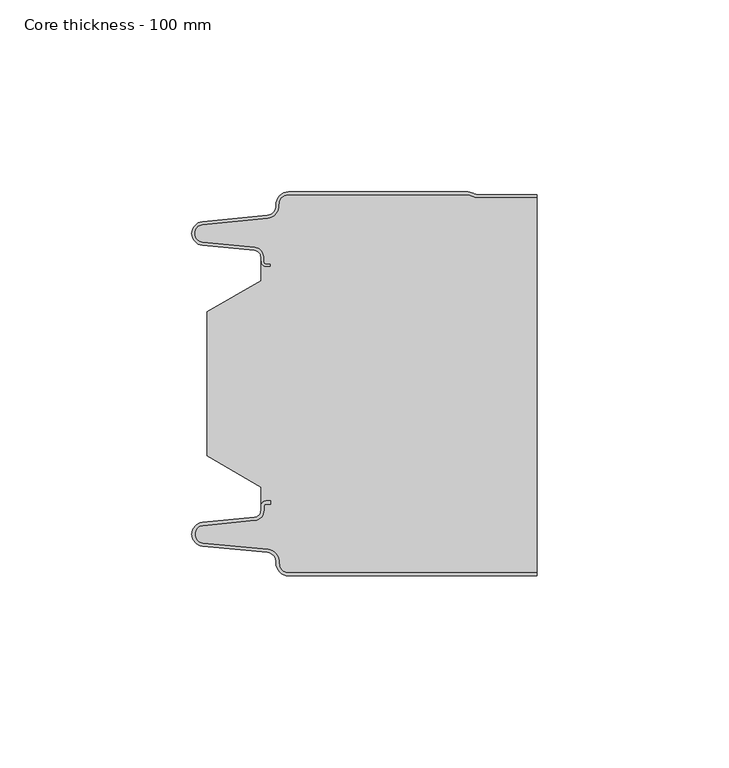
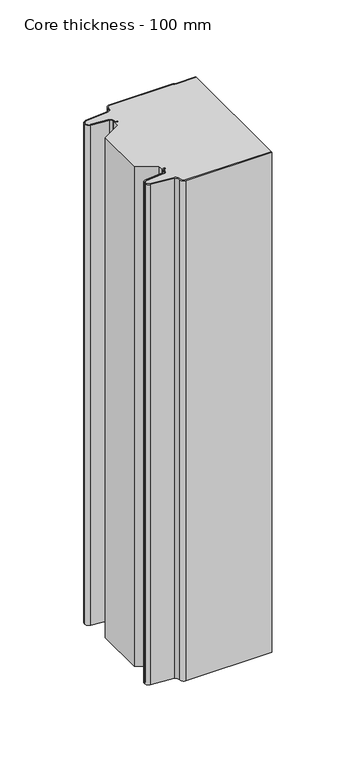
"""IFC4 building model written with IfcOpenShell, lengths in millimetres: plate geometry, Core thickness - 100 mm."""

from ifc_helpers import new_model, si_unit, frame, origin, place, context, project, spatial, polyline, circle_curve, source, transform, mapped, element, save
from ifc_brep_helpers import plane_surface, cylinder_surface, revolved_surface, advanced_brep


def core_thickness_100_mm_1877381d(model_context):
    return source(origin(), model_context, "Body", "AdvancedBrep", [
        advanced_brep(
        [(-19.8000003, -99.9996949, 0.0), (-22.9923632, -96.5787437, 0.0), (-25.2560431, -93.9171154, 0.0), (-42.2115315, -92.2546153, 0.0), (-44.9999998, -89.1776715, 0.0), (-42.2115315, -86.1007278, 0.0), (-28.6195785, -84.7680252, 0.0), (-26.9952277, -82.9766159, 0.0), (-26.9952277, -81.8996949, 0.0), (-25.5952277, -80.4996949, 0.0), (-24.4952277, -80.4996949, 0.0), (-24.4952277, -81.2996949, 0.0), (-25.5952277, -81.2996949, 0.0), (-26.1952277, -81.8996949, 0.0), (-26.1952277, -82.9766159, 0.0), (-28.5415122, -85.5642071, 0.0), (-42.1334652, -86.8969097, 0.0), (-44.1999997, -89.1776715, 0.0), (-42.1334652, -91.4584333, 0.0), (-25.1779767, -93.1209335, 0.0), (-22.2078761, -96.6330399, 0.0), (-19.8000003, -99.1996949, 0.0), (44.9999998, -99.2, 0.0), (44.9999998, -99.9996949, 0.0), (-19.8000003, -99.1996949, 400.0), (-22.1942724, -96.6339815, 400.0), (-25.1779767, -93.1209335, 400.0), (-42.1334652, -91.4584333, 400.0), (-44.1999997, -89.1776715, 400.0), (-42.1334652, -86.8969097, 400.0), (-28.5415122, -85.5642071, 400.0), (-26.1952277, -82.9766159, 400.0), (-26.1952277, -81.8996949, 400.0), (-25.5952277, -81.2996949, 400.0), (-24.4952277, -81.2996949, 400.0), (-24.4952277, -80.4996949, 400.0), (-25.5952277, -80.4996949, 400.0), (-26.9952277, -81.8996949, 400.0), (-26.9952277, -82.9766159, 400.0), (-28.6195785, -84.7680252, 400.0), (-42.2115315, -86.1007278, 400.0), (-44.9999998, -89.1776715, 400.0), (-42.2115315, -92.2546153, 400.0), (-25.2560431, -93.9171154, 400.0), (-23.0059668, -96.5778021, 400.0), (-19.8000003, -99.9996949, 400.0), (44.9999998, -99.9996949, 400.0), (44.9999998, -99.2, 400.0)],
        [
            (0, 1, circle_curve(frame((-19.8000003, -96.7996949, 0.0), z_axis=(0.0, 0.0, -1.0), x_axis=(1.0, 0.0, 0.0)), 3.2)),
            (1, 2, circle_curve(frame((-25.5000003, -96.4051839, 0.0), z_axis=(0.0, 0.0, 1.0), x_axis=(1.0, 0.0, 0.0)), 2.5)),
            (2, 3),
            (3, 4, circle_curve(frame((-41.9100003, -89.1793626, 0.0), z_axis=(0.0, 0.0, -1.0), x_axis=(1.0, 0.0, 0.0)), 3.09)),
            (4, 5, circle_curve(frame((-41.9100003, -89.1759805, 0.0), z_axis=(0.0, 0.0, -1.0), x_axis=(1.0, 0.0, 0.0)), 3.09)),
            (5, 6),
            (6, 7, circle_curve(frame((-28.7952277, -82.9766159, 0.0), z_axis=(0.0, 0.0, 1.0), x_axis=(1.0, 0.0, 0.0)), 1.8)),
            (7, 8),
            (8, 9, circle_curve(frame((-25.5952277, -81.8996949, 0.0), z_axis=(0.0, 0.0, -1.0), x_axis=(1.0, 0.0, 0.0)), 1.4)),
            (9, 10),
            (10, 11),
            (11, 12),
            (12, 13, circle_curve(frame((-25.5952277, -81.8996949, 0.0), z_axis=(0.0, 0.0, 1.0), x_axis=(1.0, 0.0, 0.0)), 0.6)),
            (13, 14),
            (14, 15, circle_curve(frame((-28.7952277, -82.9766159, 0.0), z_axis=(0.0, 0.0, -1.0), x_axis=(1.0, 0.0, 0.0)), 2.6)),
            (15, 16),
            (16, 17, circle_curve(frame((-41.9100003, -89.1759805, 0.0), z_axis=(0.0, 0.0, 1.0), x_axis=(1.0, 0.0, 0.0)), 2.29)),
            (17, 18, circle_curve(frame((-41.9100003, -89.1793626, 0.0), z_axis=(0.0, 0.0, 1.0), x_axis=(1.0, 0.0, 0.0)), 2.29)),
            (18, 19),
            (19, 20, circle_curve(frame((-25.5000003, -96.4051839, 0.0), z_axis=(0.0, 0.0, -1.0), x_axis=(1.0, 0.0, 0.0)), 3.3)),
            (20, 21, circle_curve(frame((-19.8000003, -96.7996949, 0.0), z_axis=(0.0, 0.0, 1.0), x_axis=(1.0, 0.0, 0.0)), 2.4)),
            (21, 22),
            (22, 23),
            (23, 0),
            (24, 25, circle_curve(frame((-19.8000003, -96.7996949, 400.0), z_axis=(0.0, 0.0, -1.0), x_axis=(1.0, 0.0, 0.0)), 2.4)),
            (25, 26, circle_curve(frame((-25.5000003, -96.4051839, 400.0), z_axis=(0.0, 0.0, 1.0), x_axis=(1.0, 0.0, 0.0)), 3.3)),
            (26, 27),
            (27, 28, circle_curve(frame((-41.9100003, -89.1793626, 400.0), z_axis=(0.0, 0.0, -1.0), x_axis=(1.0, 0.0, 0.0)), 2.29)),
            (28, 29, circle_curve(frame((-41.9100003, -89.1759805, 400.0), z_axis=(0.0, 0.0, -1.0), x_axis=(1.0, 0.0, 0.0)), 2.29)),
            (29, 30),
            (30, 31, circle_curve(frame((-28.7952277, -82.9766159, 400.0), z_axis=(0.0, 0.0, 1.0), x_axis=(1.0, 0.0, 0.0)), 2.6)),
            (31, 32),
            (32, 33, circle_curve(frame((-25.5952277, -81.8996949, 400.0), z_axis=(0.0, 0.0, -1.0), x_axis=(1.0, 0.0, 0.0)), 0.6)),
            (33, 34),
            (34, 35),
            (35, 36),
            (36, 37, circle_curve(frame((-25.5952277, -81.8996949, 400.0), z_axis=(0.0, 0.0, 1.0), x_axis=(1.0, 0.0, 0.0)), 1.4)),
            (37, 38),
            (38, 39, circle_curve(frame((-28.7952277, -82.9766159, 400.0), z_axis=(0.0, 0.0, -1.0), x_axis=(1.0, 0.0, 0.0)), 1.8)),
            (39, 40),
            (40, 41, circle_curve(frame((-41.9100003, -89.1759805, 400.0), z_axis=(0.0, 0.0, 1.0), x_axis=(1.0, 0.0, 0.0)), 3.09)),
            (41, 42, circle_curve(frame((-41.9100003, -89.1793626, 400.0), z_axis=(0.0, 0.0, 1.0), x_axis=(1.0, 0.0, 0.0)), 3.09)),
            (42, 43),
            (43, 44, circle_curve(frame((-25.5000003, -96.4051839, 400.0), z_axis=(0.0, 0.0, -1.0), x_axis=(1.0, 0.0, 0.0)), 2.5)),
            (44, 45, circle_curve(frame((-19.8000003, -96.7996949, 400.0), z_axis=(0.0, 0.0, 1.0), x_axis=(1.0, 0.0, 0.0)), 3.2)),
            (45, 46),
            (46, 47),
            (47, 24),
            (21, 24),
            (47, 22),
            (20, 25),
            (19, 26),
            (18, 27),
            (17, 28),
            (16, 29),
            (15, 30),
            (14, 31),
            (13, 32),
            (12, 33),
            (11, 34),
            (10, 35),
            (9, 36),
            (8, 37),
            (7, 38),
            (6, 39),
            (5, 40),
            (4, 41),
            (3, 42),
            (2, 43),
            (1, 44),
            (0, 45),
            (23, 46),
        ],
        [
            plane_surface(frame((-44.9999998, -100.0, 0.0), z_axis=(0.0, 0.0, -1.0), x_axis=(0.0, 1.0, 0.0))),
            plane_surface(frame((-44.9999998, -100.0, 400.0), z_axis=(0.0, 0.0, 1.0), x_axis=(0.0, 1.0, 0.0))),
            plane_surface(frame((-19.8000003, -99.2, 0.0), z_axis=(0.0, 1.0, 0.0), x_axis=(0.0, 0.0, 1.0))),
            revolved_surface(polyline([(-17.400000300000002, -96.7996949, 400.0), (-17.400000300000002, -96.7996949, 0.0)]), (-19.8000003, -96.7996949, 0.0), (0.0, 0.0, 1.0)),
            cylinder_surface(frame((-25.5000003, -96.4051839, 0.0), z_axis=(0.0, 0.0, -1.0), x_axis=(1.0, 0.0, 0.0)), 3.3),
            plane_surface(frame((-42.1334652, -91.4584333, 0.0), z_axis=(0.09758289975914758, 0.9952273999818314, 0.0), x_axis=(0.0, 0.0, 1.0))),
            revolved_surface(polyline([(-39.6200003, -89.1793626, 400.0), (-39.6200003, -89.1793626, 0.0)]), (-41.9100003, -89.1793626, 0.0), (0.0, 0.0, 1.0)),
            revolved_surface(polyline([(-39.6200003, -89.1759805, 400.0), (-39.6200003, -89.1759805, 0.0)]), (-41.9100003, -89.1759805, 0.0), (0.0, 0.0, 1.0)),
            plane_surface(frame((-28.5415122, -85.5642071, 0.0), z_axis=(0.09758289975914383, -0.9952273999818317, 0.0), x_axis=(0.0, 0.0, 1.0))),
            cylinder_surface(frame((-28.7952277, -82.9766159, 0.0), z_axis=(0.0, 0.0, -1.0), x_axis=(1.0, 0.0, 0.0)), 2.6),
            plane_surface(frame((-26.1952277, -81.8996949, 0.0), z_axis=(1.0, 0.0, 0.0), x_axis=(0.0, 0.0, 1.0))),
            revolved_surface(polyline([(-24.995227699999997, -81.8996949, 400.0), (-24.995227699999997, -81.8996949, 0.0)]), (-25.5952277, -81.8996949, 0.0), (0.0, 0.0, 1.0)),
            plane_surface(frame((-24.4952277, -81.2996949, 0.0), z_axis=(0.0, -1.0, 0.0), x_axis=(0.0, 0.0, 1.0))),
            plane_surface(frame((-24.4952277, -80.4996949, 0.0), z_axis=(1.0, 0.0, 0.0), x_axis=(0.0, 0.0, 1.0))),
            plane_surface(frame((-25.5952277, -80.4996949, 0.0), z_axis=(0.0, 1.0, 0.0), x_axis=(0.0, 0.0, 1.0))),
            cylinder_surface(frame((-25.5952277, -81.8996949, 0.0), z_axis=(0.0, 0.0, -1.0), x_axis=(1.0, 0.0, 0.0)), 1.4),
            plane_surface(frame((-26.9952277, -82.9766159, 0.0), z_axis=(-1.0, 0.0, 0.0), x_axis=(0.0, 0.0, 1.0))),
            revolved_surface(polyline([(-26.9952277, -82.9766159, 400.0), (-26.9952277, -82.9766159, 0.0)]), (-28.7952277, -82.9766159, 0.0), (0.0, 0.0, 1.0)),
            plane_surface(frame((-42.2115315, -86.1007278, 0.0), z_axis=(-0.09758289975914387, 0.9952273999818317, 0.0), x_axis=(0.0, 0.0, 1.0))),
            cylinder_surface(frame((-41.9100003, -89.1759805, 0.0), z_axis=(0.0, 0.0, -1.0), x_axis=(1.0, 0.0, 0.0)), 3.09),
            cylinder_surface(frame((-41.9100003, -89.1793626, 0.0), z_axis=(0.0, 0.0, -1.0), x_axis=(1.0, 0.0, 0.0)), 3.09),
            plane_surface(frame((-25.2560431, -93.9171154, 0.0), z_axis=(-0.09758289975914762, -0.9952273999818314, 0.0), x_axis=(0.0, 0.0, 1.0))),
            revolved_surface(polyline([(-23.0000003, -96.4051839, 400.0), (-23.0000003, -96.4051839, 0.0)]), (-25.5000003, -96.4051839, 0.0), (0.0, 0.0, 1.0)),
            cylinder_surface(frame((-19.8000003, -96.7996949, 0.0), z_axis=(0.0, 0.0, -1.0), x_axis=(1.0, 0.0, 0.0)), 3.2),
            plane_surface(frame((1121.009932, -99.9996949, 0.0), z_axis=(0.0, -1.0, 0.0), x_axis=(0.0, 0.0, 1.0))),
            plane_surface(frame((44.9999998, 180.0, 400.0), z_axis=(1.0, 0.0, 0.0), x_axis=(0.0, 0.0, -1.0))),
        ],
        [
            (0, [[1, 2, 3, 4, 5, 6, 7, 8, 9, 10, 11, 12, 13, 14, 15, 16, 17, 18, 19, 20, 21, 22, 23, 24]]),
            (1, [[25, 26, 27, 28, 29, 30, 31, 32, 33, 34, 35, 36, 37, 38, 39, 40, 41, 42, 43, 44, 45, 46, 47, 48]]),
            (2, [[49, -48, 50, -22]]),
            (3, [[-21, 51, -25, -49]]),
            (4, [[-20, 52, -26, -51]]),
            (5, [[-19, 53, -27, -52]]),
            (6, [[-18, 54, -28, -53]]),
            (7, [[-17, 55, -29, -54]]),
            (8, [[-16, 56, -30, -55]]),
            (9, [[-15, 57, -31, -56]]),
            (10, [[-14, 58, -32, -57]]),
            (11, [[-13, 59, -33, -58]]),
            (12, [[-12, 60, -34, -59]]),
            (13, [[-11, 61, -35, -60]]),
            (14, [[-10, 62, -36, -61]]),
            (15, [[-9, 63, -37, -62]]),
            (16, [[-8, 64, -38, -63]]),
            (17, [[-7, 65, -39, -64]]),
            (18, [[-6, 66, -40, -65]]),
            (19, [[-5, 67, -41, -66]]),
            (20, [[-4, 68, -42, -67]]),
            (21, [[-3, 69, -43, -68]]),
            (22, [[-2, 70, -44, -69]]),
            (23, [[-1, 71, -45, -70]]),
            (24, [[-71, -24, 72, -46]]),
            (25, [[-23, -50, -47, -72]]),
        ],
    ),
        advanced_brep(
        [(-26.9952277, -23.1062917, 400.0), (-41.0446509, -31.1628062, 400.0), (-41.0446509, -68.7531937, 400.0), (-26.9952277, -76.8937083, 400.0), (-26.9952277, -80.4996949, 400.0), (-26.9952277, -81.8996949, 400.0), (-25.5952277, -80.4996949, 400.0), (-24.4952277, -80.4996949, 400.0), (-24.4952277, -81.2996949, 400.0), (-25.5952277, -81.2996949, 400.0), (-26.1952277, -81.8996949, 400.0), (-26.1952277, -82.9766159, 400.0), (-28.5415122, -85.5642071, 400.0), (-42.1334652, -86.8969097, 400.0), (-44.1999997, -89.1776715, 400.0), (-42.1334652, -91.4584333, 400.0), (-25.1779767, -93.1209335, 400.0), (-22.2078761, -96.6330399, 400.0), (-19.8000003, -99.1996949, 400.0), (44.9999998, -99.2, 400.0), (44.9999998, -1.5003051, 400.0), (29.4172165, -1.5003051, 400.0), (27.9978051, -1.0971009, 400.0), (26.9454197, -0.8, 400.0), (-19.8000003, -0.8, 400.0), (-22.1942724, -3.3660185, 400.0), (-25.1779767, -6.8790665, 400.0), (-42.1334652, -8.5415667, 400.0), (-44.1999997, -10.8223285, 400.0), (-42.1334652, -13.1030903, 400.0), (-28.5415122, -14.4357929, 400.0), (-26.1952277, -17.0233841, 400.0), (-26.1952277, -18.1003051, 400.0), (-25.5952277, -18.7003051, 400.0), (-24.4952277, -18.7003051, 400.0), (-24.4952277, -19.5003051, 400.0), (-25.5952277, -19.5003051, 400.0), (-26.9952277, -18.1003051, 400.0), (-26.9952277, -19.5003051, 400.0), (-26.9952277, -76.8937083, 0.0), (-41.0446509, -68.7531937, 0.0), (-41.0446509, -31.1628062, 0.0), (-26.9952277, -23.1062917, 0.0), (-26.9952277, -19.5003051, 0.0), (-26.9952277, -18.1003051, 0.0), (-25.5952277, -19.5003051, 0.0), (-24.4952277, -19.5003051, 0.0), (-24.4952277, -18.7003051, 0.0), (-25.5952277, -18.7003051, 0.0), (-26.1952277, -18.1003051, 0.0), (-26.1952277, -17.0233841, 0.0), (-28.5415122, -14.4357929, 0.0), (-42.1334652, -13.1030903, 0.0), (-44.1999997, -10.8223285, 0.0), (-42.1334652, -8.5415667, 0.0), (-25.1779767, -6.8790665, 0.0), (-22.2078761, -3.3669601, 0.0), (-19.8000003, -0.8003051, 0.0), (26.9454197, -0.8, 0.0), (27.9968355, -1.0986697, 0.0), (29.4172165, -1.5003051, 0.0), (44.9999998, -1.5003051, 0.0), (44.9999998, -99.2, 0.0), (-19.8000003, -99.2, 0.0), (-22.1942724, -96.6339815, 0.0), (-25.1779767, -93.1209335, 0.0), (-42.1334652, -91.4584333, 0.0), (-44.1999997, -89.1776715, 0.0), (-42.1334652, -86.8969097, 0.0), (-28.5415122, -85.5642071, 0.0), (-26.1952277, -82.9766159, 0.0), (-26.1952277, -81.8996949, 0.0), (-25.5952277, -81.2996949, 0.0), (-24.4952277, -81.2996949, 0.0), (-24.4952277, -80.4996949, 0.0), (-25.5952277, -80.4996949, 0.0), (-26.9952277, -81.8996949, 0.0), (-26.9952277, -80.4996949, 0.0)],
        [
            (0, 1),
            (1, 2),
            (2, 3),
            (3, 4),
            (4, 5),
            (5, 6, circle_curve(frame((-25.5952277, -81.8996949, 400.0), z_axis=(0.0, 0.0, -1.0), x_axis=(1.0, 0.0, 0.0)), 1.4)),
            (6, 7),
            (7, 8),
            (8, 9),
            (9, 10, circle_curve(frame((-25.5952277, -81.8996949, 400.0), z_axis=(0.0, 0.0, 1.0), x_axis=(1.0, 0.0, 0.0)), 0.6)),
            (10, 11),
            (11, 12, circle_curve(frame((-28.7952277, -82.9766159, 400.0), z_axis=(0.0, 0.0, -1.0), x_axis=(1.0, 0.0, 0.0)), 2.6)),
            (12, 13),
            (13, 14, circle_curve(frame((-41.9100003, -89.1759805, 400.0), z_axis=(0.0, 0.0, 1.0), x_axis=(1.0, 0.0, 0.0)), 2.29)),
            (14, 15, circle_curve(frame((-41.9100003, -89.1793626, 400.0), z_axis=(0.0, 0.0, 1.0), x_axis=(1.0, 0.0, 0.0)), 2.29)),
            (15, 16),
            (16, 17, circle_curve(frame((-25.5000003, -96.4051839, 400.0), z_axis=(0.0, 0.0, -1.0), x_axis=(1.0, 0.0, 0.0)), 3.3)),
            (17, 18, circle_curve(frame((-19.8000003, -96.7996949, 400.0), z_axis=(0.0, 0.0, 1.0), x_axis=(1.0, 0.0, 0.0)), 2.4)),
            (18, 19),
            (19, 20),
            (20, 21),
            (21, 22, circle_curve(frame((29.4172165, 1.1996949, 400.0), z_axis=(0.0, 0.0, -1.0), x_axis=(1.0, 0.0, 0.0)), 2.7)),
            (22, 23, circle_curve(frame((26.9454197, -2.8, 400.0), z_axis=(0.0, 0.0, 1.0), x_axis=(1.0, 0.0, 0.0)), 2.0)),
            (23, 24),
            (24, 25, circle_curve(frame((-19.8000003, -3.2003051, 400.0), z_axis=(0.0, 0.0, 1.0), x_axis=(1.0, 0.0, 0.0)), 2.4)),
            (25, 26, circle_curve(frame((-25.5000003, -3.5948161, 400.0), z_axis=(0.0, 0.0, -1.0), x_axis=(1.0, 0.0, 0.0)), 3.3)),
            (26, 27),
            (27, 28, circle_curve(frame((-41.9100003, -10.8206374, 400.0), z_axis=(0.0, 0.0, 1.0), x_axis=(1.0, 0.0, 0.0)), 2.29)),
            (28, 29, circle_curve(frame((-41.9100003, -10.8240195, 400.0), z_axis=(0.0, 0.0, 1.0), x_axis=(1.0, 0.0, 0.0)), 2.29)),
            (29, 30),
            (30, 31, circle_curve(frame((-28.7952277, -17.0233841, 400.0), z_axis=(0.0, 0.0, -1.0), x_axis=(1.0, 0.0, 0.0)), 2.6)),
            (31, 32),
            (32, 33, circle_curve(frame((-25.5952277, -18.1003051, 400.0), z_axis=(0.0, 0.0, 1.0), x_axis=(1.0, 0.0, 0.0)), 0.6)),
            (33, 34),
            (34, 35),
            (35, 36),
            (36, 37, circle_curve(frame((-25.5952277, -18.1003051, 400.0), z_axis=(0.0, 0.0, -1.0), x_axis=(1.0, 0.0, 0.0)), 1.4)),
            (37, 38),
            (38, 0),
            (39, 40),
            (40, 41),
            (41, 42),
            (42, 43),
            (43, 44),
            (44, 45, circle_curve(frame((-25.5952277, -18.1003051, 0.0), z_axis=(0.0, 0.0, 1.0), x_axis=(1.0, 0.0, 0.0)), 1.4)),
            (45, 46),
            (46, 47),
            (47, 48),
            (48, 49, circle_curve(frame((-25.5952277, -18.1003051, 0.0), z_axis=(0.0, 0.0, -1.0), x_axis=(1.0, 0.0, 0.0)), 0.6)),
            (49, 50),
            (50, 51, circle_curve(frame((-28.7952277, -17.0233841, 0.0), z_axis=(0.0, 0.0, 1.0), x_axis=(1.0, 0.0, 0.0)), 2.6)),
            (51, 52),
            (52, 53, circle_curve(frame((-41.9100003, -10.8240195, 0.0), z_axis=(0.0, 0.0, -1.0), x_axis=(1.0, 0.0, 0.0)), 2.29)),
            (53, 54, circle_curve(frame((-41.9100003, -10.8206374, 0.0), z_axis=(0.0, 0.0, -1.0), x_axis=(1.0, 0.0, 0.0)), 2.29)),
            (54, 55),
            (55, 56, circle_curve(frame((-25.5000003, -3.5948161, 0.0), z_axis=(0.0, 0.0, 1.0), x_axis=(1.0, 0.0, 0.0)), 3.3)),
            (56, 57, circle_curve(frame((-19.8000003, -3.2003051, 0.0), z_axis=(0.0, 0.0, -1.0), x_axis=(1.0, 0.0, 0.0)), 2.4)),
            (57, 58),
            (58, 59, circle_curve(frame((26.9454197, -2.8, 0.0), z_axis=(0.0, 0.0, -1.0), x_axis=(1.0, 0.0, 0.0)), 2.0)),
            (59, 60, circle_curve(frame((29.4172165, 1.1996949, 0.0), z_axis=(0.0, 0.0, 1.0), x_axis=(1.0, 0.0, 0.0)), 2.7)),
            (60, 61),
            (61, 62),
            (62, 63),
            (63, 64, circle_curve(frame((-19.8000003, -96.7996949, 0.0), z_axis=(0.0, 0.0, -1.0), x_axis=(1.0, 0.0, 0.0)), 2.4)),
            (64, 65, circle_curve(frame((-25.5000003, -96.4051839, 0.0), z_axis=(0.0, 0.0, 1.0), x_axis=(1.0, 0.0, 0.0)), 3.3)),
            (65, 66),
            (66, 67, circle_curve(frame((-41.9100003, -89.1793626, 0.0), z_axis=(0.0, 0.0, -1.0), x_axis=(1.0, 0.0, 0.0)), 2.29)),
            (67, 68, circle_curve(frame((-41.9100003, -89.1759805, 0.0), z_axis=(0.0, 0.0, -1.0), x_axis=(1.0, 0.0, 0.0)), 2.29)),
            (68, 69),
            (69, 70, circle_curve(frame((-28.7952277, -82.9766159, 0.0), z_axis=(0.0, 0.0, 1.0), x_axis=(1.0, 0.0, 0.0)), 2.6)),
            (70, 71),
            (71, 72, circle_curve(frame((-25.5952277, -81.8996949, 0.0), z_axis=(0.0, 0.0, -1.0), x_axis=(1.0, 0.0, 0.0)), 0.6)),
            (72, 73),
            (73, 74),
            (74, 75),
            (75, 76, circle_curve(frame((-25.5952277, -81.8996949, 0.0), z_axis=(0.0, 0.0, 1.0), x_axis=(1.0, 0.0, 0.0)), 1.4)),
            (76, 77),
            (77, 39),
            (42, 0),
            (37, 44),
            (1, 41),
            (40, 2),
            (39, 3),
            (76, 5),
            (18, 63),
            (62, 19),
            (17, 64),
            (16, 65),
            (15, 66),
            (14, 67),
            (13, 68),
            (12, 69),
            (11, 70),
            (10, 71),
            (9, 72),
            (8, 73),
            (7, 74),
            (6, 75),
            (57, 24),
            (23, 58),
            (22, 59),
            (21, 60),
            (20, 61),
            (36, 45),
            (35, 46),
            (34, 47),
            (33, 48),
            (32, 49),
            (31, 50),
            (30, 51),
            (29, 52),
            (28, 53),
            (27, 54),
            (26, 55),
            (25, 56),
        ],
        [
            plane_surface(frame((-44.9999998, 0.0, 400.0), z_axis=(0.0, 0.0, 1.0), x_axis=(0.0, -1.0, 0.0))),
            plane_surface(frame((-44.9999998, 0.0, 0.0), z_axis=(0.0, 0.0, -1.0), x_axis=(0.0, -1.0, 0.0))),
            plane_surface(frame((-26.9952277, -17.0229218, 400.0), z_axis=(-1.0, 0.0, 0.0), x_axis=(0.0, 0.0, -1.0))),
            plane_surface(frame((-41.0446509, -31.1628062, 400.0), z_axis=(-1.0, 0.0, 0.0), x_axis=(0.0, 0.0, -1.0))),
            plane_surface(frame((-26.9952277, -23.1062917, 400.0), z_axis=(-0.4974543664933155, 0.8674901459133322, 0.0), x_axis=(0.0, 0.0, -1.0))),
            plane_surface(frame((-41.0446509, -68.7531937, 400.0), z_axis=(-0.5013424225369615, -0.8652489672717159, 0.0), x_axis=(0.0, 0.0, -1.0))),
            plane_surface(frame((-26.9952277, -76.8937083, 400.0), z_axis=(-1.0, 0.0, 0.0), x_axis=(0.0, 0.0, -1.0))),
            plane_surface(frame((1121.009932, -99.2, 530.0), z_axis=(0.0, -1.0, 0.0), x_axis=(0.0, 0.0, -1.0))),
            cylinder_surface(frame((-19.8000003, -96.7996949, 530.0), z_axis=(0.0, 0.0, -1.0), x_axis=(1.0, 0.0, 0.0)), 2.4),
            revolved_surface(polyline([(-22.2000003, -96.4051839, 400.0), (-22.2000003, -96.4051839, 0.0)]), (-25.5000003, -96.4051839, 530.0), (0.0, 0.0, 1.0)),
            plane_surface(frame((-25.1779767, -93.1209335, 530.0), z_axis=(-0.09758289975914758, -0.9952273999818314, 0.0), x_axis=(0.0, 0.0, -1.0))),
            cylinder_surface(frame((-41.9100003, -89.1793626, 530.0), z_axis=(0.0, 0.0, -1.0), x_axis=(1.0, 0.0, 0.0)), 2.29),
            cylinder_surface(frame((-41.9100003, -89.1759805, 530.0), z_axis=(0.0, 0.0, -1.0), x_axis=(1.0, 0.0, 0.0)), 2.29),
            plane_surface(frame((-42.1334652, -86.8969097, 530.0), z_axis=(-0.09758289975914383, 0.9952273999818317, 0.0), x_axis=(0.0, 0.0, -1.0))),
            revolved_surface(polyline([(-26.1952277, -82.9766159, 400.0), (-26.1952277, -82.9766159, 0.0)]), (-28.7952277, -82.9766159, 530.0), (0.0, 0.0, 1.0)),
            plane_surface(frame((-26.1952277, -82.9766159, 530.0), z_axis=(-1.0, 0.0, 0.0), x_axis=(0.0, 0.0, -1.0))),
            cylinder_surface(frame((-25.5952277, -81.8996949, 530.0), z_axis=(0.0, 0.0, -1.0), x_axis=(1.0, 0.0, 0.0)), 0.6),
            plane_surface(frame((-25.5952277, -81.2996949, 530.0), z_axis=(0.0, 1.0, 0.0), x_axis=(0.0, 0.0, -1.0))),
            plane_surface(frame((-24.4952277, -81.2996949, 530.0), z_axis=(-1.0, 0.0, 0.0), x_axis=(0.0, 0.0, -1.0))),
            plane_surface(frame((-24.4952277, -80.4996949, 530.0), z_axis=(0.0, -1.0, 0.0), x_axis=(0.0, 0.0, -1.0))),
            revolved_surface(polyline([(-24.1952277, -81.8996949, 400.0), (-24.1952277, -81.8996949, 0.0)]), (-25.5952277, -81.8996949, 530.0), (0.0, 0.0, 1.0)),
            plane_surface(frame((-19.8000003, -0.8, 530.0), z_axis=(0.0, 1.0, 0.0), x_axis=(0.0, 0.0, -1.0))),
            cylinder_surface(frame((26.9454197, -2.8, 530.0), z_axis=(0.0, 0.0, -1.0), x_axis=(1.0, 0.0, 0.0)), 2.0),
            revolved_surface(polyline([(32.1172165, 1.1996949, 400.0), (32.1172165, 1.1996949, 0.0)]), (29.4172165, 1.1996949, 530.0), (0.0, 0.0, 1.0)),
            plane_surface(frame((29.4172165, -1.5003051, 530.0), z_axis=(0.0, 1.0, 0.0), x_axis=(0.0, 0.0, -1.0))),
            revolved_surface(polyline([(-24.1952277, -18.1003051, 400.0), (-24.1952277, -18.1003051, 0.0)]), (-25.5952277, -18.1003051, 530.0), (0.0, 0.0, 1.0)),
            plane_surface(frame((-25.5952277, -19.5003051, 530.0), z_axis=(0.0, 1.0, 0.0), x_axis=(0.0, 0.0, -1.0))),
            plane_surface(frame((-24.4952277, -19.5003051, 530.0), z_axis=(-1.0, 0.0, 0.0), x_axis=(0.0, 0.0, -1.0))),
            plane_surface(frame((-24.4952277, -18.7003051, 530.0), z_axis=(0.0, -1.0, 0.0), x_axis=(0.0, 0.0, -1.0))),
            cylinder_surface(frame((-25.5952277, -18.1003051, 530.0), z_axis=(0.0, 0.0, -1.0), x_axis=(1.0, 0.0, 0.0)), 0.6),
            plane_surface(frame((-26.1952277, -18.1003051, 530.0), z_axis=(-1.0, 0.0, 0.0), x_axis=(0.0, 0.0, -1.0))),
            revolved_surface(polyline([(-26.1952277, -17.0233841, 400.0), (-26.1952277, -17.0233841, 0.0)]), (-28.7952277, -17.0233841, 530.0), (0.0, 0.0, 1.0)),
            plane_surface(frame((-28.5415122, -14.4357929, 530.0), z_axis=(-0.09758289975914705, -0.9952273999818314, 0.0), x_axis=(0.0, 0.0, -1.0))),
            cylinder_surface(frame((-41.9100003, -10.8240195, 530.0), z_axis=(0.0, 0.0, -1.0), x_axis=(1.0, 0.0, 0.0)), 2.29),
            cylinder_surface(frame((-41.9100003, -10.8206374, 530.0), z_axis=(0.0, 0.0, -1.0), x_axis=(1.0, 0.0, 0.0)), 2.29),
            plane_surface(frame((-42.1334652, -8.5415667, 530.0), z_axis=(-0.09758289975914436, 0.9952273999818317, 0.0), x_axis=(0.0, 0.0, -1.0))),
            revolved_surface(polyline([(-22.2000003, -3.5948161, 400.0), (-22.2000003, -3.5948161, 0.0)]), (-25.5000003, -3.5948161, 530.0), (0.0, 0.0, 1.0)),
            cylinder_surface(frame((-19.8000003, -3.2003051, 530.0), z_axis=(0.0, 0.0, -1.0), x_axis=(1.0, 0.0, 0.0)), 2.4),
            plane_surface(frame((44.9999998, 180.0, 400.0), z_axis=(1.0, 0.0, 0.0), x_axis=(0.0, 0.0, -1.0))),
        ],
        [
            (0, [[1, 2, 3, 4, 5, 6, 7, 8, 9, 10, 11, 12, 13, 14, 15, 16, 17, 18, 19, 20, 21, 22, 23, 24, 25, 26, 27, 28, 29, 30, 31, 32, 33, 34, 35, 36, 37, 38, 39]]),
            (1, [[40, 41, 42, 43, 44, 45, 46, 47, 48, 49, 50, 51, 52, 53, 54, 55, 56, 57, 58, 59, 60, 61, 62, 63, 64, 65, 66, 67, 68, 69, 70, 71, 72, 73, 74, 75, 76, 77, 78]]),
            (2, [[79, -39, -38, 80, -44, -43]]),
            (3, [[-2, 81, -41, 82]]),
            (4, [[-1, -79, -42, -81]]),
            (5, [[-3, -82, -40, 83]]),
            (6, [[-83, -78, -77, 84, -5, -4]]),
            (7, [[85, -63, 86, -19]]),
            (8, [[-85, -18, 87, -64]]),
            (9, [[-87, -17, 88, -65]]),
            (10, [[-88, -16, 89, -66]]),
            (11, [[-89, -15, 90, -67]]),
            (12, [[-90, -14, 91, -68]]),
            (13, [[-91, -13, 92, -69]]),
            (14, [[-92, -12, 93, -70]]),
            (15, [[-93, -11, 94, -71]]),
            (16, [[-94, -10, 95, -72]]),
            (17, [[-95, -9, 96, -73]]),
            (18, [[-96, -8, 97, -74]]),
            (19, [[-97, -7, 98, -75]]),
            (20, [[-98, -6, -84, -76]]),
            (21, [[99, -24, 100, -58]]),
            (22, [[-100, -23, 101, -59]]),
            (23, [[-101, -22, 102, -60]]),
            (24, [[-102, -21, 103, -61]]),
            (25, [[104, -45, -80, -37]]),
            (26, [[-104, -36, 105, -46]]),
            (27, [[-105, -35, 106, -47]]),
            (28, [[-106, -34, 107, -48]]),
            (29, [[-107, -33, 108, -49]]),
            (30, [[-108, -32, 109, -50]]),
            (31, [[-109, -31, 110, -51]]),
            (32, [[-110, -30, 111, -52]]),
            (33, [[-111, -29, 112, -53]]),
            (34, [[-112, -28, 113, -54]]),
            (35, [[-113, -27, 114, -55]]),
            (36, [[-114, -26, 115, -56]]),
            (37, [[-99, -57, -115, -25]]),
            (38, [[-86, -62, -103, -20]]),
        ],
    ),
        advanced_brep(
        [(27.9968355, -1.0986697, 0.0), (26.9454197, -0.8, 0.0), (-19.8000003, -0.8, 0.0), (-22.1942724, -3.3660185, 0.0), (-25.1779767, -6.8790665, 0.0), (-42.1334652, -8.5415667, 0.0), (-44.1999997, -10.8223285, 0.0), (-42.1334652, -13.1030903, 0.0), (-28.5415122, -14.4357929, 0.0), (-26.1952277, -17.0233841, 0.0), (-26.1952277, -18.1003051, 0.0), (-25.5952277, -18.7003051, 0.0), (-24.4952277, -18.7003051, 0.0), (-24.4952277, -19.5003051, 0.0), (-25.5952277, -19.5003051, 0.0), (-26.9952277, -18.1003051, 0.0), (-26.9952277, -17.0233841, 0.0), (-28.6195785, -15.2319748, 0.0), (-42.2115315, -13.8992722, 0.0), (-44.9999998, -10.8223285, 0.0), (-42.2115315, -7.7453847, 0.0), (-25.2560431, -6.0828846, 0.0), (-23.0059668, -3.4221979, 0.0), (-19.8000003, -0.0003051, 0.0), (26.9454197, -0.0003051, 0.0), (28.3647528, -0.4034608, 0.0), (29.4172165, -0.7003051, 0.0), (44.9999998, -0.7003051, 0.0), (44.9999998, -1.5003051, 0.0), (29.4172165, -1.5003051, 0.0), (27.9978051, -1.0971009, 400.0), (29.4172165, -1.5003051, 400.0), (44.9999998, -1.5003051, 400.0), (44.9999998, -0.7003051, 400.0), (29.4172165, -0.7003051, 400.0), (28.3658586, -0.4016712, 400.0), (26.9454197, -0.0003051, 400.0), (-19.8000003, -0.0003051, 400.0), (-22.9923632, -3.4212563, 400.0), (-25.2560431, -6.0828846, 400.0), (-42.2115315, -7.7453847, 400.0), (-44.9999998, -10.8223285, 400.0), (-42.2115315, -13.8992722, 400.0), (-28.6195785, -15.2319748, 400.0), (-26.9952277, -17.0233841, 400.0), (-26.9952277, -18.1003051, 400.0), (-25.5952277, -19.5003051, 400.0), (-24.4952277, -19.5003051, 400.0), (-24.4952277, -18.7003051, 400.0), (-25.5952277, -18.7003051, 400.0), (-26.1952277, -18.1003051, 400.0), (-26.1952277, -17.0233841, 400.0), (-28.5415122, -14.4357929, 400.0), (-42.1334652, -13.1030903, 400.0), (-44.1999997, -10.8223285, 400.0), (-42.1334652, -8.5415667, 400.0), (-25.1779767, -6.8790665, 400.0), (-22.2078761, -3.3669601, 400.0), (-19.8000003, -0.8003051, 400.0), (26.9454197, -0.8, 400.0)],
        [
            (0, 1, circle_curve(frame((26.9454197, -2.8, 0.0), z_axis=(0.0, 0.0, 1.0), x_axis=(1.0, 0.0, 0.0)), 2.0)),
            (1, 2),
            (2, 3, circle_curve(frame((-19.8000003, -3.2003051, 0.0), z_axis=(0.0, 0.0, 1.0), x_axis=(1.0, 0.0, 0.0)), 2.4)),
            (3, 4, circle_curve(frame((-25.5000003, -3.5948161, 0.0), z_axis=(0.0, 0.0, -1.0), x_axis=(1.0, 0.0, 0.0)), 3.3)),
            (4, 5),
            (5, 6, circle_curve(frame((-41.9100003, -10.8206374, 0.0), z_axis=(0.0, 0.0, 1.0), x_axis=(1.0, 0.0, 0.0)), 2.29)),
            (6, 7, circle_curve(frame((-41.9100003, -10.8240195, 0.0), z_axis=(0.0, 0.0, 1.0), x_axis=(1.0, 0.0, 0.0)), 2.29)),
            (7, 8),
            (8, 9, circle_curve(frame((-28.7952277, -17.0233841, 0.0), z_axis=(0.0, 0.0, -1.0), x_axis=(1.0, 0.0, 0.0)), 2.6)),
            (9, 10),
            (10, 11, circle_curve(frame((-25.5952277, -18.1003051, 0.0), z_axis=(0.0, 0.0, 1.0), x_axis=(1.0, 0.0, 0.0)), 0.6)),
            (11, 12),
            (12, 13),
            (13, 14),
            (14, 15, circle_curve(frame((-25.5952277, -18.1003051, 0.0), z_axis=(0.0, 0.0, -1.0), x_axis=(1.0, 0.0, 0.0)), 1.4)),
            (15, 16),
            (16, 17, circle_curve(frame((-28.7952277, -17.0233841, 0.0), z_axis=(0.0, 0.0, 1.0), x_axis=(1.0, 0.0, 0.0)), 1.8)),
            (17, 18),
            (18, 19, circle_curve(frame((-41.9100003, -10.8240195, 0.0), z_axis=(0.0, 0.0, -1.0), x_axis=(1.0, 0.0, 0.0)), 3.09)),
            (19, 20, circle_curve(frame((-41.9100003, -10.8206374, 0.0), z_axis=(0.0, 0.0, -1.0), x_axis=(1.0, 0.0, 0.0)), 3.09)),
            (20, 21),
            (21, 22, circle_curve(frame((-25.5000003, -3.5948161, 0.0), z_axis=(0.0, 0.0, 1.0), x_axis=(1.0, 0.0, 0.0)), 2.5)),
            (22, 23, circle_curve(frame((-19.8000003, -3.2003051, 0.0), z_axis=(0.0, 0.0, -1.0), x_axis=(1.0, 0.0, 0.0)), 3.2)),
            (23, 24),
            (24, 25, circle_curve(frame((26.9454197, -2.7003051, 0.0), z_axis=(0.0, 0.0, -1.0), x_axis=(1.0, 0.0, 0.0)), 2.7)),
            (25, 26, circle_curve(frame((29.4172165, 1.2996949, 0.0), z_axis=(0.0, 0.0, 1.0), x_axis=(1.0, 0.0, 0.0)), 2.0)),
            (26, 27),
            (27, 28),
            (28, 29),
            (29, 0, circle_curve(frame((29.4172165, 1.1996949, 0.0), z_axis=(0.0, 0.0, -1.0), x_axis=(1.0, 0.0, 0.0)), 2.7)),
            (30, 31, circle_curve(frame((29.4172165, 1.1996949, 400.0), z_axis=(0.0, 0.0, 1.0), x_axis=(1.0, 0.0, 0.0)), 2.7)),
            (31, 32),
            (32, 33),
            (33, 34),
            (34, 35, circle_curve(frame((29.4172165, 1.2996949, 400.0), z_axis=(0.0, 0.0, -1.0), x_axis=(1.0, 0.0, 0.0)), 2.0)),
            (35, 36, circle_curve(frame((26.9454197, -2.7003051, 400.0), z_axis=(0.0, 0.0, 1.0), x_axis=(1.0, 0.0, 0.0)), 2.7)),
            (36, 37),
            (37, 38, circle_curve(frame((-19.8000003, -3.2003051, 400.0), z_axis=(0.0, 0.0, 1.0), x_axis=(1.0, 0.0, 0.0)), 3.2)),
            (38, 39, circle_curve(frame((-25.5000003, -3.5948161, 400.0), z_axis=(0.0, 0.0, -1.0), x_axis=(1.0, 0.0, 0.0)), 2.5)),
            (39, 40),
            (40, 41, circle_curve(frame((-41.9100003, -10.8206374, 400.0), z_axis=(0.0, 0.0, 1.0), x_axis=(1.0, 0.0, 0.0)), 3.09)),
            (41, 42, circle_curve(frame((-41.9100003, -10.8240195, 400.0), z_axis=(0.0, 0.0, 1.0), x_axis=(1.0, 0.0, 0.0)), 3.09)),
            (42, 43),
            (43, 44, circle_curve(frame((-28.7952277, -17.0233841, 400.0), z_axis=(0.0, 0.0, -1.0), x_axis=(1.0, 0.0, 0.0)), 1.8)),
            (44, 45),
            (45, 46, circle_curve(frame((-25.5952277, -18.1003051, 400.0), z_axis=(0.0, 0.0, 1.0), x_axis=(1.0, 0.0, 0.0)), 1.4)),
            (46, 47),
            (47, 48),
            (48, 49),
            (49, 50, circle_curve(frame((-25.5952277, -18.1003051, 400.0), z_axis=(0.0, 0.0, -1.0), x_axis=(1.0, 0.0, 0.0)), 0.6)),
            (50, 51),
            (51, 52, circle_curve(frame((-28.7952277, -17.0233841, 400.0), z_axis=(0.0, 0.0, 1.0), x_axis=(1.0, 0.0, 0.0)), 2.6)),
            (52, 53),
            (53, 54, circle_curve(frame((-41.9100003, -10.8240195, 400.0), z_axis=(0.0, 0.0, -1.0), x_axis=(1.0, 0.0, 0.0)), 2.29)),
            (54, 55, circle_curve(frame((-41.9100003, -10.8206374, 400.0), z_axis=(0.0, 0.0, -1.0), x_axis=(1.0, 0.0, 0.0)), 2.29)),
            (55, 56),
            (56, 57, circle_curve(frame((-25.5000003, -3.5948161, 400.0), z_axis=(0.0, 0.0, 1.0), x_axis=(1.0, 0.0, 0.0)), 3.3)),
            (57, 58, circle_curve(frame((-19.8000003, -3.2003051, 400.0), z_axis=(0.0, 0.0, -1.0), x_axis=(1.0, 0.0, 0.0)), 2.4)),
            (58, 59),
            (59, 30, circle_curve(frame((26.9454197, -2.8, 400.0), z_axis=(0.0, 0.0, -1.0), x_axis=(1.0, 0.0, 0.0)), 2.0)),
            (0, 30),
            (59, 1),
            (58, 2),
            (57, 3),
            (56, 4),
            (55, 5),
            (54, 6),
            (53, 7),
            (52, 8),
            (51, 9),
            (50, 10),
            (49, 11),
            (48, 12),
            (47, 13),
            (46, 14),
            (45, 15),
            (44, 16),
            (43, 17),
            (42, 18),
            (41, 19),
            (40, 20),
            (39, 21),
            (38, 22),
            (37, 23),
            (36, 24),
            (35, 25),
            (34, 26),
            (33, 27),
            (31, 29),
            (28, 32),
        ],
        [
            plane_surface(frame((-44.9999998, 0.0, 0.0), z_axis=(0.0, 0.0, -1.0), x_axis=(0.0, -1.0, 0.0))),
            plane_surface(frame((-44.9999998, 0.0, 400.0), z_axis=(0.0, 0.0, 1.0), x_axis=(0.0, -1.0, 0.0))),
            revolved_surface(polyline([(28.9454197, -2.8, 400.0), (28.9454197, -2.8, 0.0)]), (26.9454197, -2.8, 0.0), (0.0, 0.0, 1.0)),
            plane_surface(frame((26.9454197, -0.8, 0.0), z_axis=(0.0, -1.0, 0.0), x_axis=(0.0, 0.0, 1.0))),
            revolved_surface(polyline([(-17.400000300000002, -3.2003051, 400.0), (-17.400000300000002, -3.2003051, 0.0)]), (-19.8000003, -3.2003051, 0.0), (0.0, 0.0, 1.0)),
            cylinder_surface(frame((-25.5000003, -3.5948161, 0.0), z_axis=(0.0, 0.0, -1.0), x_axis=(1.0, 0.0, 0.0)), 3.3),
            plane_surface(frame((-25.1779767, -6.8790665, 0.0), z_axis=(0.09758289975914113, -0.9952273999818321, 0.0), x_axis=(0.0, 0.0, 1.0))),
            revolved_surface(polyline([(-39.6200003, -10.8206374, 400.0), (-39.6200003, -10.8206374, 0.0)]), (-41.9100003, -10.8206374, 0.0), (0.0, 0.0, 1.0)),
            revolved_surface(polyline([(-39.6200003, -10.8240195, 400.0), (-39.6200003, -10.8240195, 0.0)]), (-41.9100003, -10.8240195, 0.0), (0.0, 0.0, 1.0)),
            plane_surface(frame((-42.1334652, -13.1030903, 0.0), z_axis=(0.0975828997591503, 0.9952273999818312, 0.0), x_axis=(0.0, 0.0, 1.0))),
            cylinder_surface(frame((-28.7952277, -17.0233841, 0.0), z_axis=(0.0, 0.0, -1.0), x_axis=(1.0, 0.0, 0.0)), 2.6),
            plane_surface(frame((-26.1952277, -17.0233841, 0.0), z_axis=(1.0, 0.0, 0.0), x_axis=(0.0, 0.0, 1.0))),
            revolved_surface(polyline([(-24.995227699999997, -18.1003051, 400.0), (-24.995227699999997, -18.1003051, 0.0)]), (-25.5952277, -18.1003051, 0.0), (0.0, 0.0, 1.0)),
            plane_surface(frame((-25.5952277, -18.7003051, 0.0), z_axis=(0.0, 1.0, 0.0), x_axis=(0.0, 0.0, 1.0))),
            plane_surface(frame((-24.4952277, -18.7003051, 0.0), z_axis=(1.0, 0.0, 0.0), x_axis=(0.0, 0.0, 1.0))),
            plane_surface(frame((-24.4952277, -19.5003051, 0.0), z_axis=(0.0, -1.0, 0.0), x_axis=(0.0, 0.0, 1.0))),
            cylinder_surface(frame((-25.5952277, -18.1003051, 0.0), z_axis=(0.0, 0.0, -1.0), x_axis=(1.0, 0.0, 0.0)), 1.4),
            plane_surface(frame((-26.9952277, -18.1003051, 0.0), z_axis=(-1.0, 0.0, 0.0), x_axis=(0.0, 0.0, 1.0))),
            revolved_surface(polyline([(-26.9952277, -17.0233841, 400.0), (-26.9952277, -17.0233841, 0.0)]), (-28.7952277, -17.0233841, 0.0), (0.0, 0.0, 1.0)),
            plane_surface(frame((-28.6195785, -15.2319748, 0.0), z_axis=(-0.09758289975915034, -0.9952273999818312, 0.0), x_axis=(0.0, 0.0, 1.0))),
            cylinder_surface(frame((-41.9100003, -10.8240195, 0.0), z_axis=(0.0, 0.0, -1.0), x_axis=(1.0, 0.0, 0.0)), 3.09),
            cylinder_surface(frame((-41.9100003, -10.8206374, 0.0), z_axis=(0.0, 0.0, -1.0), x_axis=(1.0, 0.0, 0.0)), 3.09),
            plane_surface(frame((-42.2115315, -7.7453847, 0.0), z_axis=(-0.09758289975914117, 0.9952273999818321, 0.0), x_axis=(0.0, 0.0, 1.0))),
            revolved_surface(polyline([(-23.0000003, -3.5948161, 400.0), (-23.0000003, -3.5948161, 0.0)]), (-25.5000003, -3.5948161, 0.0), (0.0, 0.0, 1.0)),
            cylinder_surface(frame((-19.8000003, -3.2003051, 0.0), z_axis=(0.0, 0.0, -1.0), x_axis=(1.0, 0.0, 0.0)), 3.2),
            plane_surface(frame((-19.8000003, -0.0003051, 0.0), z_axis=(0.0, 1.0, 0.0), x_axis=(0.0, 0.0, 1.0))),
            cylinder_surface(frame((26.9454197, -2.7003051, 0.0), z_axis=(0.0, 0.0, -1.0), x_axis=(1.0, 0.0, 0.0)), 2.7),
            revolved_surface(polyline([(31.4172165, 1.2996949, 400.0), (31.4172165, 1.2996949, 0.0)]), (29.4172165, 1.2996949, 0.0), (0.0, 0.0, 1.0)),
            plane_surface(frame((29.4172165, -0.7003051, 0.0), z_axis=(0.0, 1.0, 0.0), x_axis=(0.0, 0.0, 1.0))),
            plane_surface(frame((79.5769997, -1.5003051, 0.0), z_axis=(0.0, -1.0, 0.0), x_axis=(0.0, 0.0, 1.0))),
            cylinder_surface(frame((29.4172165, 1.1996949, 0.0), z_axis=(0.0, 0.0, -1.0), x_axis=(1.0, 0.0, 0.0)), 2.7),
            plane_surface(frame((44.9999998, 180.0, 400.0), z_axis=(1.0, 0.0, 0.0), x_axis=(0.0, 0.0, -1.0))),
        ],
        [
            (0, [[1, 2, 3, 4, 5, 6, 7, 8, 9, 10, 11, 12, 13, 14, 15, 16, 17, 18, 19, 20, 21, 22, 23, 24, 25, 26, 27, 28, 29, 30]]),
            (1, [[31, 32, 33, 34, 35, 36, 37, 38, 39, 40, 41, 42, 43, 44, 45, 46, 47, 48, 49, 50, 51, 52, 53, 54, 55, 56, 57, 58, 59, 60]]),
            (2, [[-1, 61, -60, 62]]),
            (3, [[-2, -62, -59, 63]]),
            (4, [[-3, -63, -58, 64]]),
            (5, [[-4, -64, -57, 65]]),
            (6, [[-5, -65, -56, 66]]),
            (7, [[-6, -66, -55, 67]]),
            (8, [[-7, -67, -54, 68]]),
            (9, [[-8, -68, -53, 69]]),
            (10, [[-9, -69, -52, 70]]),
            (11, [[-10, -70, -51, 71]]),
            (12, [[-11, -71, -50, 72]]),
            (13, [[-12, -72, -49, 73]]),
            (14, [[-13, -73, -48, 74]]),
            (15, [[-14, -74, -47, 75]]),
            (16, [[-15, -75, -46, 76]]),
            (17, [[-16, -76, -45, 77]]),
            (18, [[-17, -77, -44, 78]]),
            (19, [[-18, -78, -43, 79]]),
            (20, [[-19, -79, -42, 80]]),
            (21, [[-20, -80, -41, 81]]),
            (22, [[-21, -81, -40, 82]]),
            (23, [[-22, -82, -39, 83]]),
            (24, [[-23, -83, -38, 84]]),
            (25, [[-24, -84, -37, 85]]),
            (26, [[-25, -85, -36, 86]]),
            (27, [[-26, -86, -35, 87]]),
            (28, [[-87, -34, 88, -27]]),
            (29, [[89, -29, 90, -32]]),
            (30, [[-30, -89, -31, -61]]),
            (31, [[-28, -88, -33, -90]]),
        ],
    ),
    ])


if __name__ == "__main__":
    model = new_model("IFC4")
    model_context = context("Model", 3, world=origin())
    ifc_project = project(units=[si_unit("LENGTHUNIT", "METRE", prefix="MILLI")], contexts=[model_context])
    site = spatial("IfcSite", under=ifc_project)
    building = spatial("IfcBuilding", under=site)
    placement = place(None, origin())
    core_thickness_100_mm_shape = core_thickness_100_mm_1877381d(model_context)
    element("IfcPlate", 1, ObjectType="Core thickness - 100 mm", at=placement, inside=building, context=model_context, shape_type="MappedRepresentation", body=[
        mapped(core_thickness_100_mm_shape, transform((0.0, 0.0, 0.0), x_axis=(1.0, 0.0, 0.0), y_axis=(0.0, 1.0, 0.0), z_axis=(0.0, 0.0, 1.0))),
    ])
    save(model, "model.ifc")
